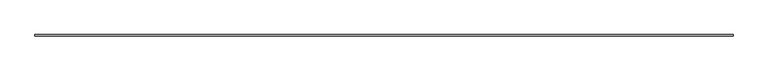
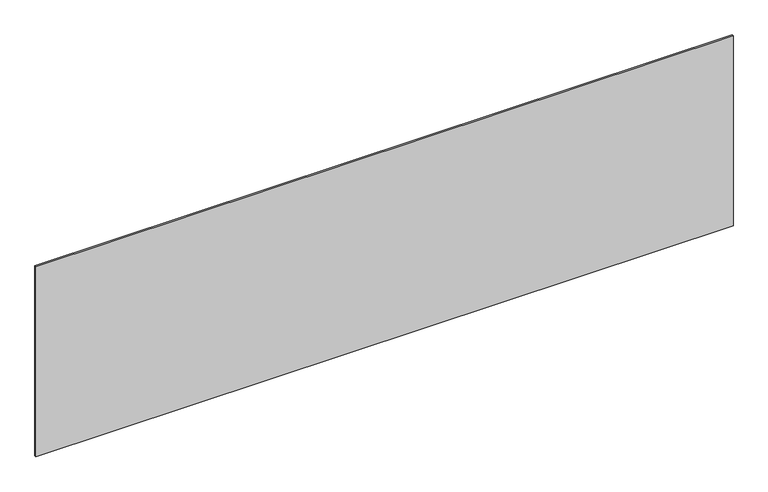
"""IFC4 building model written with IfcOpenShell, lengths in millimetres: plate geometry."""

from ifc_helpers import new_model, si_unit, origin, origin_with_axes, place, context, project, spatial, polyline, outline, extrude, source, transform, mapped, element, save


def plate_2c6e092e(model_context):
    return source(origin(), model_context, "Body", "SweptSolid", [
        extrude(outline(polyline([(2281.6666667, -5.0), (-2281.6666667, -5.0), (-2281.6666667, 5.0), (2281.6666667, 5.0), (2281.6666667, -5.0)])), origin_with_axes(), (0.0, 0.0, 1.0), 1315.5633458),
    ])


if __name__ == "__main__":
    model = new_model("IFC4")
    model_context = context("Model", 3, world=origin())
    ifc_project = project(units=[si_unit("LENGTHUNIT", "METRE", prefix="MILLI")], contexts=[model_context])
    site = spatial("IfcSite", under=ifc_project)
    building = spatial("IfcBuilding", under=site)
    placement = place(None, origin())
    plate_shape = plate_2c6e092e(model_context)
    element("IfcPlate", 1, at=placement, inside=building, context=model_context, shape_type="MappedRepresentation", body=[
        mapped(plate_shape, transform((0.0, 0.0, 0.0), x_axis=(1.0, 0.0, 0.0), y_axis=(0.0, 1.0, 0.0), z_axis=(0.0, 0.0, 1.0))),
    ])
    save(model, "model.ifc")
